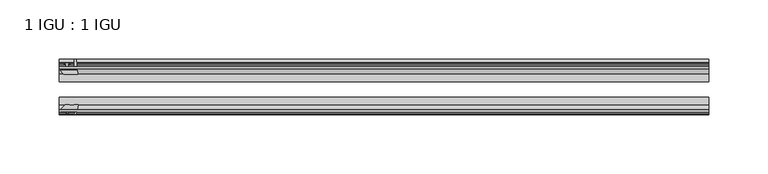
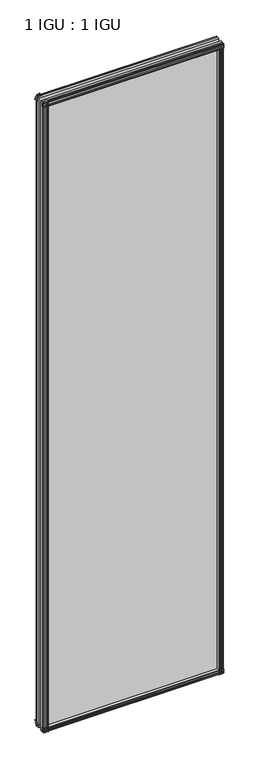
"""IFC4 building model written with IfcOpenShell, lengths in millimetres: plate geometry, 1 IGU : 1 IGU."""

from ifc_helpers import new_model, si_unit, point, frame, frame_2d, origin, place, context, project, spatial, polyline, circle_curve, trimmed, segment, composite_curve, outline, extrude, source, transform, mapped, element, save


def plate_1_igu_1_igu_43d1aa74(model_context):
    return source(origin(), model_context, "Body", "SweptSolid", [
        extrude(outline(polyline([(-24.9039062, 2.5763839), (-12.2039062, 1.5739665), (-12.2039062, 0.0), (-18.5539062, 0.0), (-18.5539062, -4.953), (-16.254502, -5.5691235), (-16.6301757, -4.1670901), (-15.7714677, -3.937), (-15.1249062, -6.35), (-15.7714677, -8.763), (-16.6301757, -8.5329099), (-16.254502, -7.1308765), (-18.5539062, -7.747), (-18.5539062, -12.7), (-20.5859062, -12.7), (-24.9039062, -9.1036931), (-24.9039062, 2.5763839)])), frame((-272.3638877, 0.0, 0.0), z_axis=(1.0, 0.0, 0.0), x_axis=(0.0, 1.0, 0.0)), (0.0, 0.0, 1.0), 546.4144942),
        extrude(outline(composite_curve([segment(polyline([(-58.2287402, 1.5687054), (-50.3039062, 3.0983599), (-50.3039062, -7.92383), (-54.4858806, -12.1058044)]), True, "CONTINUOUS"), segment(trimmed(circle_curve(frame_2d((-55.3839062, -11.2077788)), 1.27), [point((-54.4858806, -12.1058044))], [point((-56.6539062, -11.2077788))], False, "CARTESIAN"), True, "CONTINUOUS"), segment(polyline([(-56.6539062, -11.2077788), (-56.6539062, -8.0327788), (-58.1332022, -5.4488186), (-56.6539062, -5.1879788), (-56.6539062, 0.2222212), (-58.2287402, 0.0), (-58.2287402, 1.5687054)]), True, "CONTINUOUS")], self_intersect=False)), frame((-272.3638877, 0.0, 0.0), z_axis=(1.0, 0.0, 0.0), x_axis=(0.0, 1.0, 0.0)), (0.0, 0.0, 1.0), 546.4144942),
        extrude(outline(polyline([(-18.5539063, 2001.656525), (-16.254502, 2001.0404015), (-16.6301757, 2002.4424349), (-15.7714677, 2002.672525), (-15.1249063, 2000.259525), (-15.7714677, 1997.846525), (-16.6301757, 1998.0766151), (-16.254502, 1999.4786485), (-18.5539063, 1998.862525), (-18.5539063, 1993.909525), (-12.2039062, 1993.909525), (-12.2039062, 1992.3355584), (-24.9039063, 1991.3331411), (-24.9039063, 2003.0132181), (-20.5859063, 2006.609525), (-18.5539063, 2006.609525), (-18.5539063, 2001.656525)])), frame((-272.3638877, 0.0, 0.0), z_axis=(1.0, 0.0, 0.0), x_axis=(0.0, 1.0, 0.0)), (0.0, 0.0, 1.0), 546.4144942),
        extrude(outline(composite_curve([segment(polyline([(-50.3039063, 2001.833355), (-50.3039063, 1990.8111651), (-58.2287402, 1992.3408196), (-58.2287402, 1993.909525), (-56.6539063, 1993.6873038), (-56.6539063, 1999.0975038), (-58.1332023, 1999.3583436), (-56.6539063, 2001.9423038), (-56.6539063, 2005.1173038)]), True, "CONTINUOUS"), segment(trimmed(circle_curve(frame_2d((-55.3839063, 2005.1173038)), 1.27), [point((-56.6539063, 2005.1173038))], [point((-54.4858806, 2006.0153294))], False, "CARTESIAN"), True, "CONTINUOUS"), segment(polyline([(-54.4858806, 2006.0153294), (-50.3039063, 2001.833355)]), True, "CONTINUOUS")], self_intersect=False)), frame((-272.3638877, 0.0, 0.0), z_axis=(1.0, 0.0, 0.0), x_axis=(0.0, 1.0, 0.0)), (0.0, 0.0, 1.0), 546.4144942),
        extrude(outline(composite_curve([segment(polyline([(259.6195625, -57.3876965), (258.2522465, -50.3039063), (269.2744365, -50.3039063), (273.4564109, -54.4858806)]), True, "CONTINUOUS"), segment(trimmed(circle_curve(frame_2d((272.5583853, -55.3839062)), 1.27), [point((273.4564109, -54.4858806))], [point((272.5583853, -56.6539062))], False, "CARTESIAN"), True, "CONTINUOUS"), segment(polyline([(272.5583853, -56.6539062), (269.3833853, -56.6539063), (266.7994251, -58.1332023), (266.5385853, -56.6539063), (261.1283853, -56.6539063), (261.3506065, -58.2287402), (260.3862857, -58.2014026)]), True, "CONTINUOUS"), segment(trimmed(circle_curve(frame_2d((260.6203853, -57.2127402)), 1.016), [point((260.3862857, -58.2014026))], [point((259.6195625, -57.3876965))], False, "CARTESIAN"), True, "CONTINUOUS")], self_intersect=False)), frame((0.0, 0.0, -12.7), z_axis=(0.0, 0.0, 1.0), x_axis=(1.0, 0.0, 0.0)), (0.0, 0.0, 1.0), 2007.0064),
        extrude(outline(polyline([(266.3036065, -18.5539062), (266.91973, -16.254502), (265.5176966, -16.6301757), (265.2876065, -15.7714677), (267.7006065, -15.1249062), (270.1136065, -15.7714677), (269.8835163, -16.6301757), (268.481483, -16.254502), (269.0976065, -18.5539062), (274.0506065, -18.5539063), (274.0506065, -20.5859063), (270.4542996, -24.9039063), (258.7742225, -24.9039063), (259.7766399, -12.2039062), (261.3506065, -12.2039062), (261.3506065, -18.5539062), (266.3036065, -18.5539062)])), frame((0.0, 0.0, -12.7), z_axis=(0.0, 0.0, 1.0), x_axis=(1.0, 0.0, 0.0)), (0.0, 0.0, 1.0), 2007.0064),
        extrude(outline(composite_curve([segment(polyline([(-267.6966665, -56.6539062), (-270.8716665, -56.6539062)]), True, "CONTINUOUS"), segment(trimmed(circle_curve(frame_2d((-270.8716665, -55.3839062)), 1.27), [point((-270.8716665, -56.6539062))], [point((-271.7696921, -54.4858806))], False, "CARTESIAN"), True, "CONTINUOUS"), segment(polyline([(-271.7696921, -54.4858806), (-267.5877177, -50.3039062), (-263.9181723, -50.3039062)]), True, "CONTINUOUS"), segment(trimmed(circle_curve(frame_2d((-261.8546665, -46.3669062)), 4.445), [point((-263.9181723, -50.3039062))], [point((-259.7911608, -50.3039062))], True, "CARTESIAN"), True, "CONTINUOUS"), segment(polyline([(-259.7911608, -50.3039062), (-256.5655278, -50.3039062), (-258.0951823, -58.2287402), (-259.6638877, -58.2287402), (-259.4416665, -56.6539062), (-264.8518665, -56.6539062), (-265.1127063, -58.1332022), (-267.6966665, -56.6539062)]), True, "CONTINUOUS")], self_intersect=False)), frame((0.0, 0.0, -12.7), z_axis=(0.0, 0.0, 1.0), x_axis=(1.0, 0.0, 0.0)), (0.0, 0.0, 1.0), 2019.309525),
        extrude(outline(polyline([(-257.0875038, -24.9039062), (-268.7675808, -24.9039062), (-272.3638877, -20.5859062), (-272.3638877, -18.5539062), (-267.4108877, -18.5539062), (-266.7947642, -16.254502), (-268.1967976, -16.6301757), (-268.4268877, -15.7714677), (-266.0138877, -15.1249062), (-263.6008877, -15.7714677), (-263.8309778, -16.6301757), (-265.2330112, -16.254502), (-264.6168877, -18.5539062), (-259.6638877, -18.5539062), (-259.6638877, -12.2039062), (-258.0899212, -12.2039062), (-257.0875038, -24.9039062)])), frame((0.0, 0.0, -12.7), z_axis=(0.0, 0.0, 1.0), x_axis=(1.0, 0.0, 0.0)), (0.0, 0.0, 1.0), 2019.309525),
        extrude(outline(polyline([(274.0506065, -24.9039062), (274.0506065, -31.2031063), (-272.3638877, -31.2031063), (-272.3638877, -24.9039062), (274.0506065, -24.9039062)])), frame((0.0, 0.0, -12.7), z_axis=(0.0, 0.0, 1.0), x_axis=(1.0, 0.0, 0.0)), (0.0, 0.0, 1.0), 2019.309525),
        extrude(outline(polyline([(-272.3638877, -44.0047063), (274.0506065, -44.0047063), (274.0506065, -50.3039062), (-272.3638877, -50.3039062), (-272.3638877, -44.0047063)])), frame((0.0, 0.0, -12.7), z_axis=(0.0, 0.0, 1.0), x_axis=(1.0, 0.0, 0.0)), (0.0, 0.0, 1.0), 2019.309525),
    ])


if __name__ == "__main__":
    model = new_model("IFC4")
    model_context = context("Model", 3, world=origin())
    ifc_project = project(units=[si_unit("LENGTHUNIT", "METRE", prefix="MILLI")], contexts=[model_context])
    site = spatial("IfcSite", under=ifc_project)
    building = spatial("IfcBuilding", under=site)
    placement = place(None, origin())
    plate_1_igu_1_igu_shape = plate_1_igu_1_igu_43d1aa74(model_context)
    element("IfcPlate", 1, ObjectType="1 IGU : 1 IGU", at=placement, inside=building, context=model_context, shape_type="MappedRepresentation", body=[
        mapped(plate_1_igu_1_igu_shape, transform((0.0, 0.0, 0.0), x_axis=(1.0, 0.0, 0.0), y_axis=(0.0, 1.0, 0.0), z_axis=(0.0, 0.0, 1.0))),
    ])
    save(model, "model.ifc")
